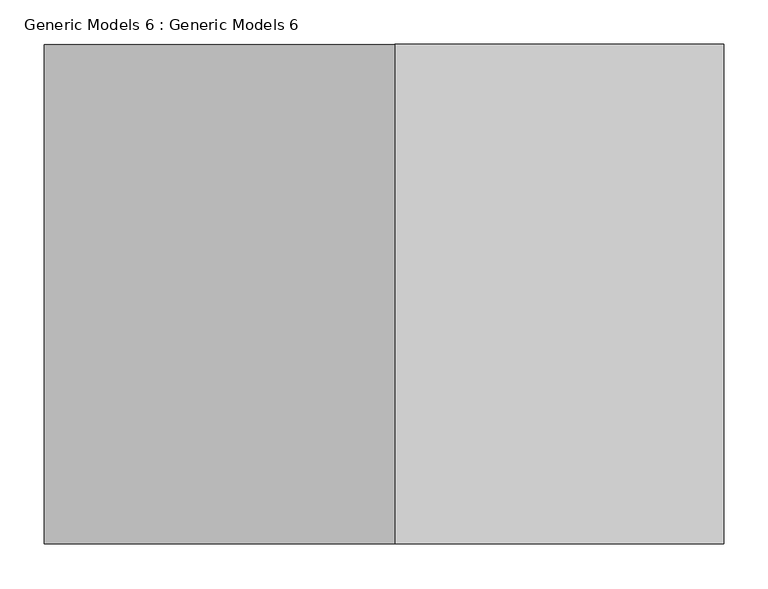
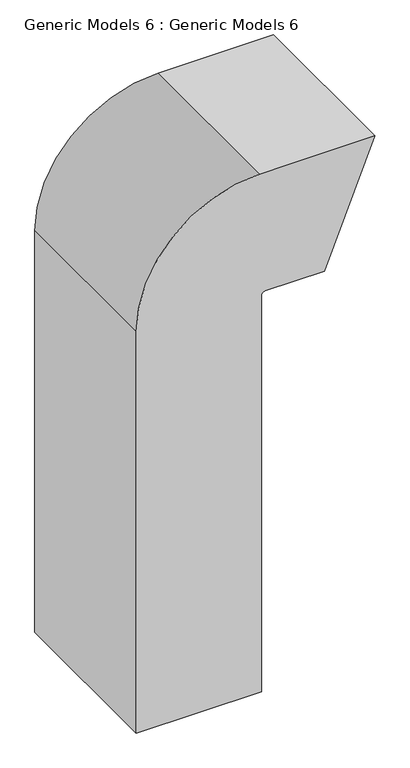
"""IFC4 building model written with IfcOpenShell, lengths in millimetres: proxy geometry, Generic Models 6 : Generic Models 6."""

import ifcopenshell
import ifcopenshell.guid

model = None  # the IFC model being written
_history = None  # IfcOwnerHistory: only IFC2X3 demands one
_inside = {}  # id of a spatial element -> (the spatial element, [elements in it])
_under = {}  # id of a project, library or spatial element -> (it, [spatial elements below it])
_declared = {}  # id of a project -> (the project, [libraries it declares])
_typed = {}  # id of a type object -> (the type object, [elements of that type])
_made_of = {}  # id of a material, layer set ... -> (it, [elements and type objects made of it])


def new_model(schema):
    """Start an empty IFC model of exactly this schema.

    Asked for "IFC4X3", IfcOpenShell would pick the latest addendum, in which some entities
    have other attributes; the version numbers below select the first issue.
    IFC2X3 requires an IfcOwnerHistory on every rooted entity: one is made here for all.
    """
    global model, _history
    if schema == "IFC4X3":
        model = ifcopenshell.file(schema_version=(4, 3, 0, 0))
    else:
        model = ifcopenshell.file(schema=schema)
    _inside.clear()
    _under.clear()
    _declared.clear()
    _typed.clear()
    _made_of.clear()
    _history = None
    if model.schema == "IFC2X3":
        org = make("IfcOrganization", Name="unknown")
        user = make(
            "IfcPersonAndOrganization",
            ThePerson=make("IfcPerson", FamilyName="unknown"),
            TheOrganization=org,
        )
        app = make(
            "IfcApplication",
            ApplicationDeveloper=org,
            Version="unknown",
            ApplicationFullName="unknown",
            ApplicationIdentifier="unknown",
        )
        _history = make(
            "IfcOwnerHistory",
            OwningUser=user,
            OwningApplication=app,
            ChangeAction="ADDED",
            CreationDate=0,
        )
    return model


def make(cls, **values):
    """One entity of the class cls with the attributes given. An attribute that is None is left unset."""
    return model.create_entity(
        cls, **{name: value for name, value in values.items() if value is not None}
    )


def rooted(cls, **values):
    """An entity with a GlobalId (a new one), such as an element, a storey or a relation."""
    return make(cls, GlobalId=ifcopenshell.guid.new(), OwnerHistory=_history, **values)


def si_unit(unit_type, name, prefix=None):
    """IfcSIUnit, for example si_unit("LENGTHUNIT", "METRE", prefix="MILLI")."""
    return make("IfcSIUnit", UnitType=unit_type, Prefix=prefix, Name=name)


def assignment(units):
    """IfcUnitAssignment: the units of a project."""
    return None if units is None else make("IfcUnitAssignment", Units=units)


def point(xyz):
    """IfcCartesianPoint."""
    return None if xyz is None else make("IfcCartesianPoint", Coordinates=xyz)


def direction(xyz):
    """IfcDirection."""
    return None if xyz is None else make("IfcDirection", DirectionRatios=xyz)


def frame(location, z_axis=None, x_axis=None):
    """IfcAxis2Placement3D, a coordinate frame: its origin and axes. An axis left out is left unset."""
    return make(
        "IfcAxis2Placement3D",
        Location=point(location),
        Axis=direction(z_axis),
        RefDirection=direction(x_axis),
    )


def frame_2d(location, x_axis=None):
    """IfcAxis2Placement2D, a coordinate frame in the plane: its origin and x axis."""
    return make(
        "IfcAxis2Placement2D", Location=point(location), RefDirection=direction(x_axis)
    )


def origin():
    """The frame at (0, 0, 0) with its axes left unset."""
    return frame((0.0, 0.0, 0.0))


def place(relative_to, where):
    """IfcLocalPlacement: puts the frame where relative to a parent placement (None: the world)."""
    return make(
        "IfcLocalPlacement", PlacementRelTo=relative_to, RelativePlacement=where
    )


def context(
    kind, dimensions, precision=None, world=None, true_north=None, identifier=None
):
    """IfcGeometricRepresentationContext, for example the 3D "Model" context."""
    return make(
        "IfcGeometricRepresentationContext",
        ContextIdentifier=identifier,
        ContextType=kind,
        CoordinateSpaceDimension=dimensions,
        Precision=precision,
        WorldCoordinateSystem=world,
        TrueNorth=true_north,
    )


def project(units=None, contexts=None):
    """IfcProject with its units and contexts."""
    return rooted(
        "IfcProject",
        Name="project",
        RepresentationContexts=contexts,
        UnitsInContext=assignment(units),
    )


def spatial(cls, under=None, at=None, **own):
    """A site, building, storey or space (cls), placed at a placement, below another one or the project."""
    s = rooted(cls, ObjectPlacement=at, **own)
    if under is not None:
        _under.setdefault(under.id(), (under, []))[1].append(s)
    return s


def polyline(points):
    """IfcPolyline through the points."""
    return make("IfcPolyline", Points=[point(p) for p in points])


def circle_curve(where, radius):
    """IfcCircle in the frame where."""
    return make("IfcCircle", Position=where, Radius=radius)


def trimmed(basis, trim1, trim2, sense, master):
    """IfcTrimmedCurve: the piece of a basis curve between two trims."""
    return make(
        "IfcTrimmedCurve",
        BasisCurve=basis,
        Trim1=trim1,
        Trim2=trim2,
        SenseAgreement=sense,
        MasterRepresentation=master,
    )


def segment(curve, same_sense, transition):
    """IfcCompositeCurveSegment."""
    return make(
        "IfcCompositeCurveSegment",
        Transition=transition,
        SameSense=same_sense,
        ParentCurve=curve,
    )


def composite_curve(segments, self_intersect=None):
    """IfcCompositeCurve: segments joined end to end."""
    return make("IfcCompositeCurve", Segments=segments, SelfIntersect=self_intersect)


def outline(outer, holes=None, kind="AREA"):
    """IfcArbitraryClosedProfileDef: a profile drawn as a closed curve; with holes, ...WithVoids."""
    if holes is None:
        return make("IfcArbitraryClosedProfileDef", ProfileType=kind, OuterCurve=outer)
    return make(
        "IfcArbitraryProfileDefWithVoids",
        ProfileType=kind,
        OuterCurve=outer,
        InnerCurves=holes,
    )


def extrude(swept, where, along, depth):
    """IfcExtrudedAreaSolid: the profile swept, set in the frame where, extruded along a direction by depth."""
    return make(
        "IfcExtrudedAreaSolid",
        SweptArea=swept,
        Position=where,
        ExtrudedDirection=direction(along),
        Depth=depth,
    )


def shape(context_of_items, identifier, shape_type, items):
    """IfcShapeRepresentation: the items that make up one representation, for example the "Body"."""
    return make(
        "IfcShapeRepresentation",
        ContextOfItems=context_of_items,
        RepresentationIdentifier=identifier,
        RepresentationType=shape_type,
        Items=items,
    )


def source(mapping_origin, context_of_items, identifier, shape_type, items):
    """IfcRepresentationMap: a shape defined once, which mapped items show again and again."""
    return make(
        "IfcRepresentationMap",
        MappingOrigin=mapping_origin,
        MappedRepresentation=shape(context_of_items, identifier, shape_type, items),
    )


def transform(
    local_origin,
    x_axis=None,
    y_axis=None,
    z_axis=None,
    scale=None,
    scale2=None,
    scale3=None,
    uniform=True,
):
    """IfcCartesianTransformationOperator3D, or its non-uniform kind. x_axis, y_axis, z_axis: its Axis1, 2, 3."""
    if uniform:
        return make(
            "IfcCartesianTransformationOperator3D",
            Axis1=direction(x_axis),
            Axis2=direction(y_axis),
            LocalOrigin=point(local_origin),
            Scale=scale,
            Axis3=direction(z_axis),
        )
    return make(
        "IfcCartesianTransformationOperator3DnonUniform",
        Axis1=direction(x_axis),
        Axis2=direction(y_axis),
        LocalOrigin=point(local_origin),
        Scale=scale,
        Axis3=direction(z_axis),
        Scale2=scale2,
        Scale3=scale3,
    )


def mapped(mapping_source, mapping_target):
    """IfcMappedItem: shows the shape of a source again, moved by a transform."""
    return make(
        "IfcMappedItem", MappingSource=mapping_source, MappingTarget=mapping_target
    )


def made_of(thing, what):
    """Note that an element or type object is made of a material, layer set ...; save() writes the relation."""
    if what is not None:
        _made_of.setdefault(what.id(), (what, []))[1].append(thing)
    return thing


def element(
    cls,
    number,
    at=None,
    inside=None,
    cuts=None,
    type_object=None,
    material=None,
    context=None,
    identifier="Body",
    shape_type=None,
    held_by="IfcProductDefinitionShape",
    body=None,
    shapes=None,
    **own,
):
    """One element of the class cls, such as IfcWall. Its Tag is "e" and its number.

    at: its placement. inside: the storey or other place that contains it. cuts: it is an
    opening in that element (IfcRelVoidsElement). A single representation is given by context,
    identifier, shape_type and body (its items); several are given by shapes. held_by: the class
    of the entity that holds the representations. save() writes the other relations.
    """
    e = rooted(cls, Tag="e%d" % number, ObjectPlacement=at, **own)
    if body is not None:
        shapes = [shape(context, identifier, shape_type, body)]
    if shapes is not None:
        e.Representation = make(held_by, Representations=shapes)
    if inside is not None:
        _inside.setdefault(inside.id(), (inside, []))[1].append(e)
    if cuts is not None:
        rooted(
            "IfcRelVoidsElement", RelatingBuildingElement=cuts, RelatedOpeningElement=e
        )
    if type_object is not None:
        _typed.setdefault(type_object.id(), (type_object, []))[1].append(e)
    return made_of(e, material)


def aggregate(whole, parts):
    """IfcRelAggregates: a whole, such as a stair, and the parts it consists of."""
    return rooted("IfcRelAggregates", RelatingObject=whole, RelatedObjects=parts)


def save(model, path):
    """Write the relations noted so far, then the file.

    IfcRelAggregates (storeys below a building ...), IfcRelContainedInSpatialStructure (elements
    in a storey), IfcRelDefinesByType, IfcRelAssociatesMaterial and IfcRelDeclares: one each for
    every whole, place, type object, material and project.
    """
    for whole, parts in _under.values():
        aggregate(whole, parts)
    for where, things in _inside.values():
        rooted(
            "IfcRelContainedInSpatialStructure",
            RelatedElements=things,
            RelatingStructure=where,
        )
    for kind, things in _typed.values():
        rooted("IfcRelDefinesByType", RelatedObjects=things, RelatingType=kind)
    for what, things in _made_of.values():
        rooted("IfcRelAssociatesMaterial", RelatedObjects=things, RelatingMaterial=what)
    for by, libraries in _declared.values():
        rooted("IfcRelDeclares", RelatingContext=by, RelatedDefinitions=libraries)
    model.write(path)


def generic_models_6_generic_models_6_1a3e79fd(model_context):
    return source(origin(), model_context, "Body", "SweptSolid", [
        extrude(outline(composite_curve([segment(polyline([(-1520.4947237, -23784.2118649), (-1120.1367353, -23622.4567378), (-1120.1367353, -23991.6782517)]), True, "CONTINUOUS"), segment(trimmed(circle_curve(frame_2d((-1513.8367353, -23991.6782517)), 393.7), [point((-1120.1367353, -23991.6782517))], [point((-1513.8367353, -24385.3782517))], False, "CARTESIAN"), True, "CONTINUOUS"), segment(polyline([(-1513.8367353, -24385.3782517), (-2869.0195712, -24385.3782517), (-2869.0195712, -23986.2123602), (-1533.1947237, -23986.2123602)]), True, "CONTINUOUS"), segment(trimmed(circle_curve(frame_2d((-1533.1947237, -23973.5123602)), 12.7), [point((-1533.1947237, -23986.2123602))], [point((-1520.4947237, -23973.5123602))], True, "CARTESIAN"), True, "CONTINUOUS"), segment(polyline([(-1520.4947237, -23973.5123602), (-1520.4947237, -23784.2118649)]), True, "CONTINUOUS")], self_intersect=False)), frame((0.0, 32617.230028, 0.0), z_axis=(0.0, 1.0, 0.0), x_axis=(0.0, 0.0, 1.0)), (0.0, 0.0, 1.0), 561.6961038),
    ])


if __name__ == "__main__":
    model = new_model("IFC4")
    model_context = context("Model", 3, world=origin())
    ifc_project = project(units=[si_unit("LENGTHUNIT", "METRE", prefix="MILLI")], contexts=[model_context])
    site = spatial("IfcSite", under=ifc_project)
    building = spatial("IfcBuilding", under=site)
    placement = place(None, origin())
    generic_models_6_generic_models_6_shape = generic_models_6_generic_models_6_1a3e79fd(model_context)
    element("IfcBuildingElementProxy", 1, Name="Generic Models 6 : Generic Models 6", ObjectType="Generic Models 6 : Generic Models 6", at=placement, inside=building, context=model_context, shape_type="MappedRepresentation", body=[
        mapped(generic_models_6_generic_models_6_shape, transform((0.0, 0.0, 0.0), x_axis=(1.0, 0.0, 0.0), y_axis=(0.0, 1.0, 0.0), z_axis=(0.0, 0.0, 1.0))),
    ])
    save(model, "model.ifc")
